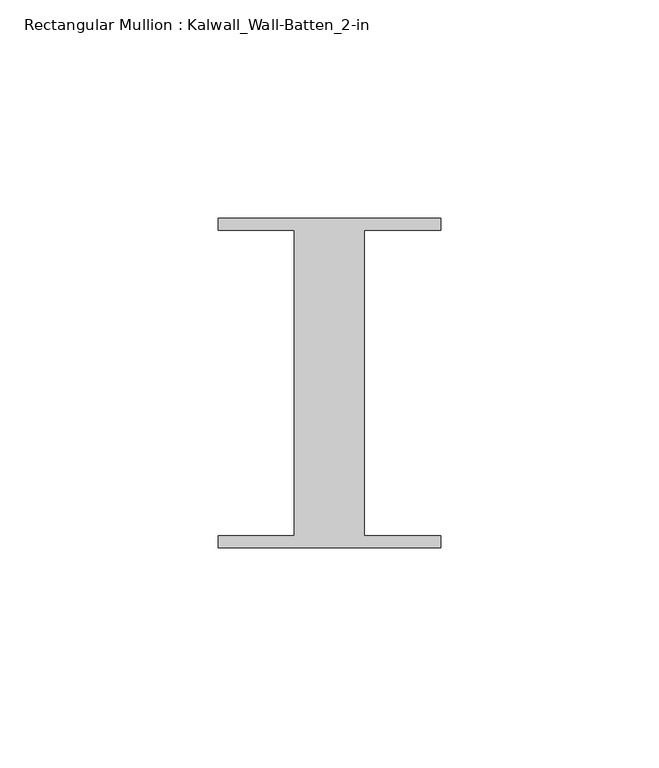
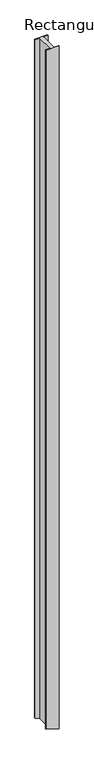
"""IFC4 building model written with IfcOpenShell, lengths in millimetres: member geometry, Rectangular Mullion : Kalwall_Wall-Batten_2-in."""

from ifc_helpers import new_model, si_unit, frame, origin, place, context, project, spatial, circle_curve, source, transform, mapped, element, save
from ifc_brep_helpers import plane_surface, cylinder_surface, advanced_brep


def rectangular_mullion_kalwall_wall_batten_2_in_ad38eb02(model_context):
    return source(origin(), model_context, "Body", "AdvancedBrep", [
        advanced_brep(
        [(-25.5, 37.794, 0.0), (-25.5, 35.0, 0.0), (-8.0, 35.0, 0.0), (-8.0, -35.0, 0.0), (-25.5, -35.0, 0.0), (-25.5, -37.794, 0.0), (25.5, -37.794, 0.0), (25.5, -35.0, 0.0), (8.0, -35.0, 0.0), (8.0, 35.0, 0.0), (25.5, 35.0, 0.0), (25.5, 37.794, 0.0), (-25.5, 37.794, -2805.3114667), (-25.5, 35.0, -2805.3114667), (-8.0, 35.0, -2811.1746678), (-8.0, -35.0, -2811.1746678), (-25.5, -35.0, -2805.3114667), (-25.5, -37.794, -2805.3114667), (15.5119528, -37.794, -2818.8369215), (25.5, -37.794, -2822.0177295), (25.5, -35.0, -2822.0177295), (15.5119528, -35.0, -2818.8369215), (8.0, -35.0, -2816.4155732), (8.0, 35.0, -2816.4155732), (15.5119528, 35.0, -2818.8369215), (25.5, 35.0, -2822.0177295), (25.5, 37.794, -2822.0177295), (15.5119528, 37.794, -2818.8369215)],
        [
            (0, 1),
            (1, 2),
            (2, 3),
            (3, 4),
            (4, 5),
            (5, 6),
            (6, 7),
            (7, 8),
            (8, 9),
            (9, 10),
            (10, 11),
            (11, 0),
            (0, 12),
            (12, 13),
            (13, 1),
            (13, 14, circle_curve(frame((814.5790003, 35.0, -326.960692), z_axis=(0.0, -1.0, 0.0), x_axis=(-0.3053534022036938, 0.0, -0.9522390980014575)), 2616.8598146)),
            (14, 2),
            (14, 15),
            (15, 3),
            (15, 16, circle_curve(frame((814.5790003, -35.0, -326.960692), z_axis=(0.0, 1.0, 0.0), x_axis=(-0.3053534022036938, 0.0, -0.9522390980014575)), 2616.8598146)),
            (16, 4),
            (16, 17),
            (17, 5),
            (17, 18, circle_curve(frame((814.5790003, -37.794, -326.960692), z_axis=(0.0, -1.0, 0.0), x_axis=(-0.3053534022036938, 0.0, -0.9522390980014575)), 2616.8598146)),
            (18, 19, circle_curve(frame((814.5790003, -37.794, -326.960692), z_axis=(0.0, -1.0, 0.0), x_axis=(0.27193234899360363, 0.0, -0.962316370831766)), 2616.8598146)),
            (19, 6),
            (19, 20),
            (20, 7),
            (20, 21, circle_curve(frame((814.5790003, -35.0, -326.960692), z_axis=(0.0, 1.0, 0.0), x_axis=(0.27193234899360363, 0.0, -0.962316370831766)), 2616.8598146)),
            (21, 22, circle_curve(frame((814.5790003, -35.0, -326.960692), z_axis=(0.0, 1.0, 0.0), x_axis=(-0.3053534022036938, 0.0, -0.9522390980014575)), 2616.8598146)),
            (22, 8),
            (22, 23),
            (23, 9),
            (23, 24, circle_curve(frame((814.5790003, 35.0, -326.960692), z_axis=(0.0, -1.0, 0.0), x_axis=(-0.3053534022036938, 0.0, -0.9522390980014575)), 2616.8598146)),
            (24, 25, circle_curve(frame((814.5790003, 35.0, -326.960692), z_axis=(0.0, -1.0, 0.0), x_axis=(0.27193234899360363, 0.0, -0.962316370831766)), 2616.8598146)),
            (25, 10),
            (25, 26),
            (26, 11),
            (26, 27, circle_curve(frame((814.5790003, 37.794, -326.960692), z_axis=(0.0, 1.0, 0.0), x_axis=(0.27193234899360363, 0.0, -0.962316370831766)), 2616.8598146)),
            (27, 12, circle_curve(frame((814.5790003, 37.794, -326.960692), z_axis=(0.0, 1.0, 0.0), x_axis=(-0.3053534022036938, 0.0, -0.9522390980014575)), 2616.8598146)),
            (27, 24),
            (21, 18),
        ],
        [
            plane_surface(frame((0.0, -45.5920655, 0.0), z_axis=(0.0, 0.0, 1.0), x_axis=(-1.0, 0.0, 0.0))),
            plane_surface(frame((-25.5, 37.794, 0.0), z_axis=(-1.0, 0.0, 0.0), x_axis=(0.0, 0.0, -1.0))),
            plane_surface(frame((-25.5, 35.0, 0.0), z_axis=(0.0, -1.0, 0.0), x_axis=(0.0, 0.0, -1.0))),
            plane_surface(frame((-8.0, 35.0, 0.0), z_axis=(-1.0, 0.0, 0.0), x_axis=(0.0, 0.0, -1.0))),
            plane_surface(frame((-8.0, -35.0, 0.0), z_axis=(0.0, 1.0, 0.0), x_axis=(0.0, 0.0, -1.0))),
            plane_surface(frame((-25.5, -35.0, 0.0), z_axis=(-1.0, 0.0, 0.0), x_axis=(0.0, 0.0, -1.0))),
            plane_surface(frame((-25.5, -37.794, 0.0), z_axis=(0.0, -1.0, 0.0), x_axis=(0.0, 0.0, -1.0))),
            plane_surface(frame((25.5, -37.794, 0.0), z_axis=(1.0, 0.0, 0.0), x_axis=(0.0, 0.0, -1.0))),
            plane_surface(frame((25.5, -35.0, 0.0), z_axis=(0.0, 1.0, 0.0), x_axis=(0.0, 0.0, -1.0))),
            plane_surface(frame((8.0, -35.0, 0.0), z_axis=(1.0, 0.0, 0.0), x_axis=(0.0, 0.0, -1.0))),
            plane_surface(frame((8.0, 35.0, 0.0), z_axis=(0.0, -1.0, 0.0), x_axis=(0.0, 0.0, -1.0))),
            plane_surface(frame((25.5, 35.0, 0.0), z_axis=(1.0, 0.0, 0.0), x_axis=(0.0, 0.0, -1.0))),
            plane_surface(frame((25.5, 37.794, 0.0), z_axis=(0.0, 1.0, 0.0), x_axis=(0.0, 0.0, -1.0))),
            cylinder_surface(frame((814.5790003, 0.0, -326.960692), z_axis=(0.0, 1.0, 0.0), x_axis=(-0.3053534022036938, 0.0, -0.9522390980014575)), 2616.8598146),
            cylinder_surface(frame((814.5790003, 0.0, -326.960692), z_axis=(0.0, 1.0, 0.0), x_axis=(0.27193234899360363, 0.0, -0.962316370831766)), 2616.8598146),
        ],
        [
            (0, [[1, 2, 3, 4, 5, 6, 7, 8, 9, 10, 11, 12]]),
            (1, [[-1, 13, 14, 15]]),
            (2, [[-2, -15, 16, 17]]),
            (3, [[-3, -17, 18, 19]]),
            (4, [[-4, -19, 20, 21]]),
            (5, [[-5, -21, 22, 23]]),
            (6, [[-6, -23, 24, 25, 26]]),
            (7, [[-7, -26, 27, 28]]),
            (8, [[-8, -28, 29, 30, 31]]),
            (9, [[-9, -31, 32, 33]]),
            (10, [[-10, -33, 34, 35, 36]]),
            (11, [[-11, -36, 37, 38]]),
            (12, [[-12, -38, 39, 40, -13]]),
            (13, [[-40, 41, -34, -32, -30, 42, -24, -22, -20, -18, -16, -14]]),
            (14, [[-29, -27, -25, -42]]),
            (14, [[-39, -37, -35, -41]]),
        ],
    ),
    ])


if __name__ == "__main__":
    model = new_model("IFC4")
    model_context = context("Model", 3, world=origin())
    ifc_project = project(units=[si_unit("LENGTHUNIT", "METRE", prefix="MILLI")], contexts=[model_context])
    site = spatial("IfcSite", under=ifc_project)
    building = spatial("IfcBuilding", under=site)
    placement = place(None, origin())
    rectangular_mullion_kalwall_wall_batten_2_in_shape = rectangular_mullion_kalwall_wall_batten_2_in_ad38eb02(model_context)
    element("IfcMember", 1, ObjectType="Rectangular Mullion : Kalwall_Wall-Batten_2-in", at=placement, inside=building, context=model_context, shape_type="MappedRepresentation", body=[
        mapped(rectangular_mullion_kalwall_wall_batten_2_in_shape, transform((0.0, 0.0, 0.0), x_axis=(1.0, 0.0, 0.0), y_axis=(0.0, 1.0, 0.0), z_axis=(0.0, 0.0, 1.0))),
    ])
    save(model, "model.ifc")
